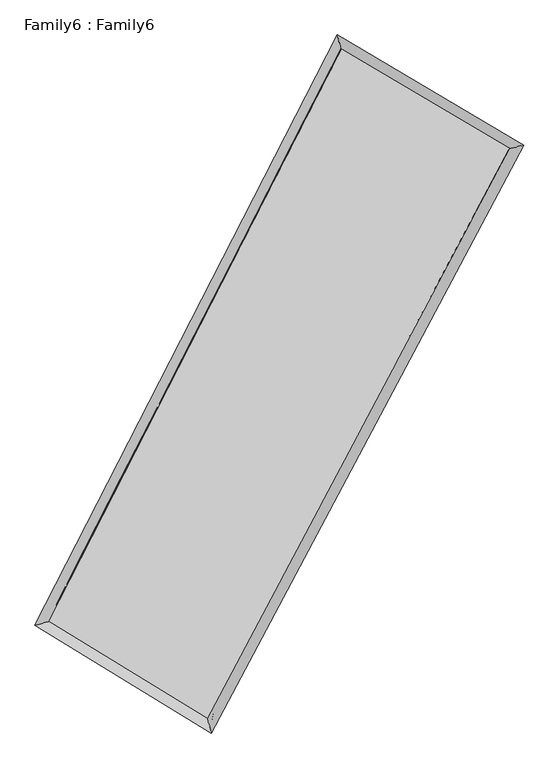
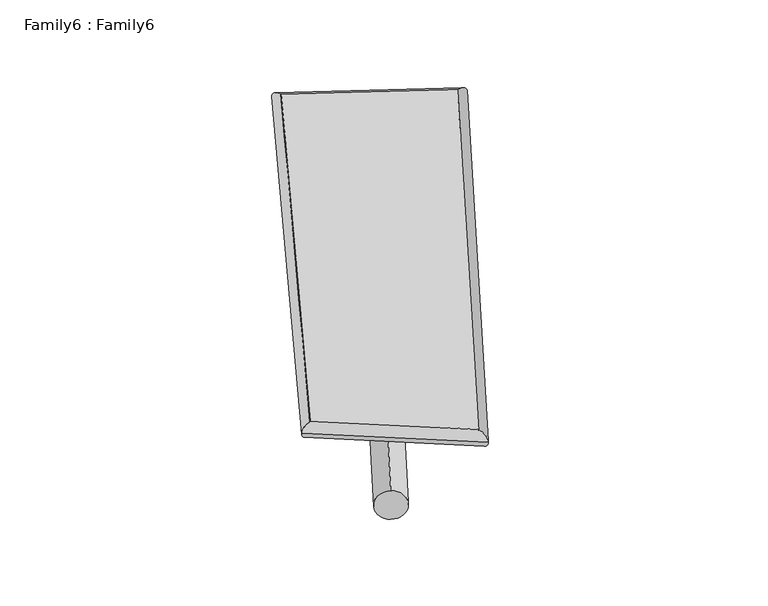
"""IFC4 building model written with IfcOpenShell, lengths in millimetres: plate geometry, Family6 : Family6."""

from ifc_helpers import new_model, si_unit, point, frame, origin, origin_2d, place, context, project, spatial, circle_curve, ellipse_curve, trimmed, segment, composite_curve, outline, extrude, source, transform, mapped, element, save
from ifc_brep_helpers import plane_surface, cylinder_surface, spline_surface, advanced_brep


def family6_family6_078bd0c3(model_context):
    return source(origin(), model_context, "Body", "SolidModel", [
        extrude(outline(composite_curve([segment(trimmed(circle_curve(origin_2d(), 76.2), [point((-75.4341514, -10.7763073))], [point((75.4341514, 10.7763073))], False, "CARTESIAN"), True, "CONTINUOUS"), segment(trimmed(circle_curve(origin_2d(), 76.2), [point((75.4341514, 10.7763073))], [point((-75.4341514, -10.7763073))], False, "CARTESIAN"), True, "CONTINUOUS")], self_intersect=False)), frame((9144.0, 9144.0, 0.0), z_axis=(0.6750345435873271, 0.6790852416531306, 0.2883948673828274), x_axis=(-0.6730568601110863, 0.7269238474085703, -0.13629447210406992)), (0.0, 0.0, 1.0), 5485.5346195),
        extrude(outline(composite_curve([segment(trimmed(circle_curve(origin_2d(), 76.2), [point((-53.8815367, 53.8815368))], [point((53.8815367, -53.8815368))], False, "CARTESIAN"), True, "CONTINUOUS"), segment(trimmed(circle_curve(origin_2d(), 76.2), [point((53.8815367, -53.8815368))], [point((-53.8815367, 53.8815368))], False, "CARTESIAN"), True, "CONTINUOUS")], self_intersect=False)), frame((9144.0, 9144.0, 0.0), z_axis=(-0.6647386194291328, -0.6880844280312863, 0.29096801841492503), x_axis=(0.6534657066419193, -0.3467657683937597, 0.6728566504934483)), (0.0, 0.0, 1.0), 5445.46956),
        extrude(outline(composite_curve([segment(trimmed(circle_curve(origin_2d(), 76.2), [point((-53.8815367, -53.8815367))], [point((53.8815367, 53.8815367))], False, "CARTESIAN"), True, "CONTINUOUS"), segment(trimmed(circle_curve(origin_2d(), 76.2), [point((53.8815367, 53.8815367))], [point((-53.8815367, -53.8815367))], False, "CARTESIAN"), True, "CONTINUOUS")], self_intersect=False)), frame((9144.0, 9144.0, 0.0), z_axis=(0.18204836863868246, 0.9479941986628474, 0.2610850259543435), x_axis=(-0.8521289579117792, 0.28459361017331847, -0.4391841483212964)), (0.0, 0.0, 1.0), 5600.6638285),
        extrude(outline(composite_curve([segment(trimmed(circle_curve(origin_2d(), 76.2), [point((-75.4341514, 10.7763074))], [point((75.4341514, -10.7763074))], False, "CARTESIAN"), True, "CONTINUOUS"), segment(trimmed(circle_curve(origin_2d(), 76.2), [point((75.4341514, -10.7763074))], [point((-75.4341514, 10.7763074))], False, "CARTESIAN"), True, "CONTINUOUS")], self_intersect=False)), frame((9144.0, 9144.0, 0.0), z_axis=(-0.19504561862463726, -0.9455078924444802, 0.26071446446357716), x_axis=(0.9010017337908169, -0.06771029076609539, 0.4284987657278754)), (0.0, 0.0, 1.0), 5598.5314685),
        advanced_brep(
        [(5324.5822293, 5341.1475822, 1577.5710096), (5324.369185, 5340.7200105, 1594.8250486), (5723.7899358, 5452.9668026, 1591.3439649), (10225.2714822, 14240.0720802, 1472.7690399), (10101.9119443, 14666.7215558, 1451.7298822), (5724.0029801, 5453.3943743, 1574.0899258), (12643.974779, 12812.0597104, 1580.7098076), (13049.8759375, 12926.231495, 1583.2902506), (7993.4368615, 4064.9750314, 1462.0123768), (8110.6250712, 3636.1135894, 1457.2238904)],
        [
            (0, 1, ellipse_curve(frame((5524.1860825, 5397.0571924, 1584.4574872), z_axis=(-0.27032124032448923, 0.9625515857100099, 0.020515162114282455), x_axis=(-0.9617714054414562, -0.27094984468400246, 0.03977367648182583)), 207.8748684, 152.4)),
            (1, 2, ellipse_curve(frame((5524.1860825, 5397.0571924, 1584.4574872), z_axis=(-0.27032124032448923, 0.9625515857100099, 0.020515162114282455), x_axis=(-0.9617714054414562, -0.27094984468400246, 0.03977367648182583)), 207.8748684, 152.4)),
            (2, 3),
            (3, 4, ellipse_curve(frame((10163.5917133, 14453.396818, 1462.249461), z_axis=(-0.9602192333610355, -0.27858286225896506, -0.019251304868703405), x_axis=(0.2778272819928808, -0.9600071067841552, 0.034617283318658536)), 222.3319903, 152.4)),
            (4, 0),
            (2, 5, ellipse_curve(frame((5524.1860825, 5397.0571924, 1584.4574872), z_axis=(-0.27032124032448923, 0.9625515857100099, 0.020515162114282455), x_axis=(-0.9617714054414562, -0.27094984468400246, 0.03977367648182583)), 207.8748684, 152.4)),
            (5, 0, ellipse_curve(frame((5524.1860825, 5397.0571924, 1584.4574872), z_axis=(-0.27032124032448923, 0.9625515857100099, 0.020515162114282455), x_axis=(-0.9617714054414562, -0.27094984468400246, 0.03977367648182583)), 207.8748684, 152.4)),
            (4, 3, ellipse_curve(frame((10163.5917133, 14453.396818, 1462.249461), z_axis=(-0.9602192333610355, -0.27858286225896506, -0.019251304868703405), x_axis=(0.2778272819928808, -0.9600071067841552, 0.034617283318658536)), 222.3319903, 152.4)),
            (3, 6),
            (6, 7, ellipse_curve(frame((12846.9253582, 12869.1456027, 1582.0000291), z_axis=(-0.27061916870848113, 0.962512863112444, -0.01828261115422386), x_axis=(-0.9618538634131732, -0.27112603615823566, -0.03643923646669425)), 210.9190056, 152.4)),
            (7, 4),
            (7, 6, ellipse_curve(frame((12846.9253582, 12869.1456027, 1582.0000291), z_axis=(-0.27061916870848113, 0.962512863112444, -0.01828261115422386), x_axis=(-0.9618538634131732, -0.27112603615823566, -0.03643923646669425)), 210.9190056, 152.4)),
            (6, 8),
            (8, 9, ellipse_curve(frame((8052.0309663, 3850.5443104, 1459.6181336), z_axis=(0.9643394680020189, 0.2637551443791482, -0.021968483496091293), x_axis=(-0.2628500736708183, 0.9641222926058637, 0.037122010609050786)), 222.3922904, 152.4)),
            (9, 7),
            (9, 8, ellipse_curve(frame((8052.0309663, 3850.5443104, 1459.6181336), z_axis=(0.9643394680020189, 0.2637551443791482, -0.021968483496091293), x_axis=(-0.2628500736708183, 0.9641222926058637, 0.037122010609050786)), 222.3922904, 152.4)),
            (8, 5),
            (1, 9),
        ],
        [
            cylinder_surface(frame((5524.1860825, 5397.0571924, 1584.4574872), z_axis=(-0.4559046989623228, -0.8899475750416682, 0.012009127425774153), x_axis=(-0.8889094415005213, 0.4546135357476257, -0.05627199948707688)), 152.4),
            cylinder_surface(frame((10163.5917133, 14453.396818, 1462.249461), z_axis=(-0.8604817638378955, 0.5080319708705172, -0.03840118065688521), x_axis=(0.5091384818880824, 0.8602211079991605, -0.02824272673443231)), 152.4),
            cylinder_surface(frame((12846.9253582, 12869.1456027, 1582.0000291), z_axis=(0.4694087905968703, 0.8828996802631764, 0.011980897360568286), x_axis=(0.8829759147556824, -0.4694087905968703, -0.0029868498036515327)), 152.4),
            cylinder_surface(frame((8052.0309663, 3850.5443104, 1459.6181336), z_axis=(0.8522677355566801, -0.521409774949635, -0.04208982675255161), x_axis=(-0.5206108405567311, -0.8533018485706322, 0.028988065143362232)), 152.4),
        ],
        [
            (0, [[1, 2, 3, 4, 5]]),
            (0, [[6, 7, -5, 8, -3]]),
            (1, [[-4, 9, 10, 11]]),
            (1, [[-8, -11, 12, -9]]),
            (2, [[-10, 13, 14, 15]]),
            (2, [[-12, -15, 16, -13]]),
            (3, [[-14, 17, -6, -2, 18]]),
            (3, [[-16, -18, -1, -7, -17]]),
        ],
    ),
        extrude(outline(composite_curve([segment(trimmed(circle_curve(origin_2d(), 304.8), [point((0.0, 304.8))], [point((0.0, -304.8))], False, "CARTESIAN"), True, "CONTINUOUS"), segment(trimmed(circle_curve(origin_2d(), 304.8), [point((0.0, -304.8))], [point((0.0, 304.8))], False, "CARTESIAN"), True, "CONTINUOUS")], self_intersect=False)), frame((11565.2960718, 13648.0669412, -0.1432405), z_axis=(-0.47349774603679257, -0.8807950293419209, 2.801146255645917e-05), x_axis=(-0.8807950297591072, 0.4734977460367925, -7.051998849825862e-06)), (0.0, 0.0, 1.0), 10227.2760203),
        advanced_brep(
        [(5524.1860825, 5397.0571924, 1584.4574872), (8052.0309663, 3850.5443104, 1459.6181336), (8052.0019925, 3850.5531309, 1612.0181306), (5524.1571087, 5397.0660129, 1736.8574842), (12846.9253582, 12869.1456027, 1582.0000291), (12846.8963844, 12869.1544232, 1734.4000261), (10163.5917133, 14453.396818, 1462.249461), (10163.5627395, 14453.4056385, 1614.649458)],
        [
            (0, 1),
            (1, 2),
            (2, 3),
            (3, 0),
            (1, 4),
            (4, 5),
            (5, 2),
            (4, 6),
            (6, 7),
            (7, 5),
            (6, 0),
            (3, 7),
        ],
        [
            plane_surface(frame((6788.1085244, 4623.8007514, 1522.0378104), z_axis=(-0.521874032766593, -0.8530225620927473, -4.9846346219909604e-05), x_axis=(0.8522677355566802, -0.5214097749496349, -0.04208982675255161))),
            plane_surface(frame((10449.4781623, 8359.8449565, 1520.8090814), z_axis=(0.8829619398108317, -0.4694445385840726, 0.0001950361005794935), x_axis=(0.4694087905968706, 0.8828996802631762, 0.011980897360568298))),
            plane_surface(frame((11505.2585357, 13661.2712104, 1522.1247451), z_axis=(0.5084054206635537, 0.8611178351701145, 4.681720389919722e-05), x_axis=(-0.8604817638378951, 0.5080319708705173, -0.038401180656885206))),
            plane_surface(frame((7843.8888979, 9925.2270052, 1523.3534741), z_axis=(-0.8900128097332843, 0.4559354781691928, -0.00019559472095884416), x_axis=(-0.45590469896232305, -0.8899475750416681, 0.012009127425774146))),
            spline_surface(1, 1, [[(8052.0019925, 3850.5531309, 1612.0181306), (5524.1571087, 5397.0660129, 1736.8574842)], [(12846.8963844, 12869.1544232, 1734.4000261), (10163.5627395, 14453.4056385, 1614.649458)]], [2, 2], [2, 2], [0.0, 1.0], [0.0, 1.0]),
            spline_surface(1, 1, [[(10163.5917133, 14453.396818, 1462.249461), (5524.1860825, 5397.0571924, 1584.4574872)], [(12846.9253582, 12869.1456027, 1582.0000291), (8052.0309663, 3850.5443104, 1459.6181336)]], [2, 2], [2, 2], [0.0, 1.0], [0.0, 1.0]),
        ],
        [
            (0, [[1, 2, 3, 4]]),
            (1, [[5, 6, 7, -2]]),
            (2, [[8, 9, 10, -6]]),
            (3, [[11, -4, 12, -9]]),
            (4, [[-3, -7, -10, -12]]),
            (5, [[-11, -8, -5, -1]]),
        ],
    ),
    ])


if __name__ == "__main__":
    model = new_model("IFC4")
    model_context = context("Model", 3, world=origin())
    ifc_project = project(units=[si_unit("LENGTHUNIT", "METRE", prefix="MILLI")], contexts=[model_context])
    site = spatial("IfcSite", under=ifc_project)
    building = spatial("IfcBuilding", under=site)
    placement = place(None, origin())
    family6_family6_shape = family6_family6_078bd0c3(model_context)
    element("IfcPlate", 1, ObjectType="Family6 : Family6", at=placement, inside=building, context=model_context, shape_type="MappedRepresentation", body=[
        mapped(family6_family6_shape, transform((0.0, 0.0, 0.0), x_axis=(1.0, 0.0, 0.0), y_axis=(0.0, 1.0, 0.0), z_axis=(0.0, 0.0, 1.0))),
    ])
    save(model, "model.ifc")
